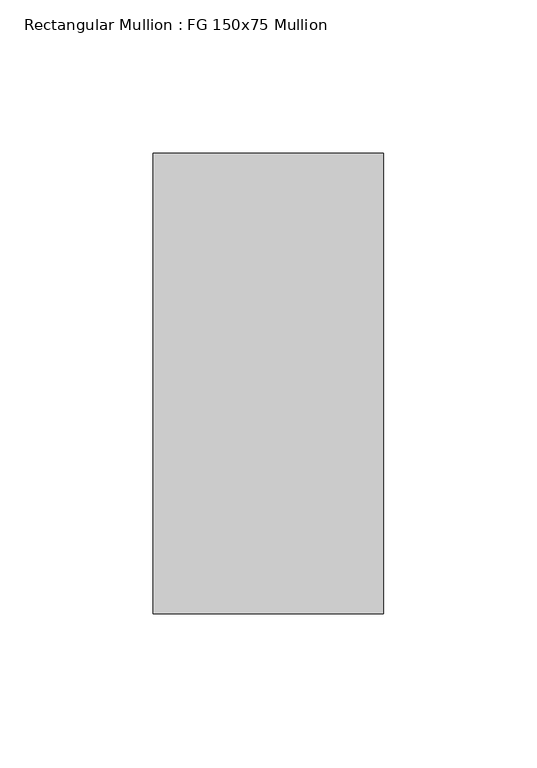
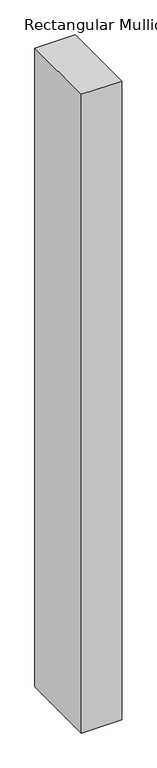
"""IFC4 building model written with IfcOpenShell, lengths in millimetres: member geometry, Rectangular Mullion : FG 150x75 Mullion."""

from ifc_helpers import new_model, si_unit, frame, origin, place, context, project, spatial, polyline, outline, extrude, source, transform, mapped, element, save


def rectangular_mullion_fg_150x75_mullion_d84874bd(model_context):
    return source(origin(), model_context, "Body", "SweptSolid", [
        extrude(outline(polyline([(37.5, 75.0), (37.5, -75.0), (-37.5, -75.0), (-37.5, 75.0), (37.5, 75.0)])), frame((0.0, 0.0, -1257.5281277), z_axis=(0.0, 0.0, 1.0), x_axis=(1.0, 0.0, 0.0)), (0.0, 0.0, 1.0), 1257.5281277),
    ])


if __name__ == "__main__":
    model = new_model("IFC4")
    model_context = context("Model", 3, world=origin())
    ifc_project = project(units=[si_unit("LENGTHUNIT", "METRE", prefix="MILLI")], contexts=[model_context])
    site = spatial("IfcSite", under=ifc_project)
    building = spatial("IfcBuilding", under=site)
    placement = place(None, origin())
    rectangular_mullion_fg_150x75_mullion_shape = rectangular_mullion_fg_150x75_mullion_d84874bd(model_context)
    element("IfcMember", 1, ObjectType="Rectangular Mullion : FG 150x75 Mullion", at=placement, inside=building, context=model_context, shape_type="MappedRepresentation", body=[
        mapped(rectangular_mullion_fg_150x75_mullion_shape, transform((0.0, 0.0, 0.0), x_axis=(1.0, 0.0, 0.0), y_axis=(0.0, 1.0, 0.0), z_axis=(0.0, 0.0, 1.0))),
    ])
    save(model, "model.ifc")
